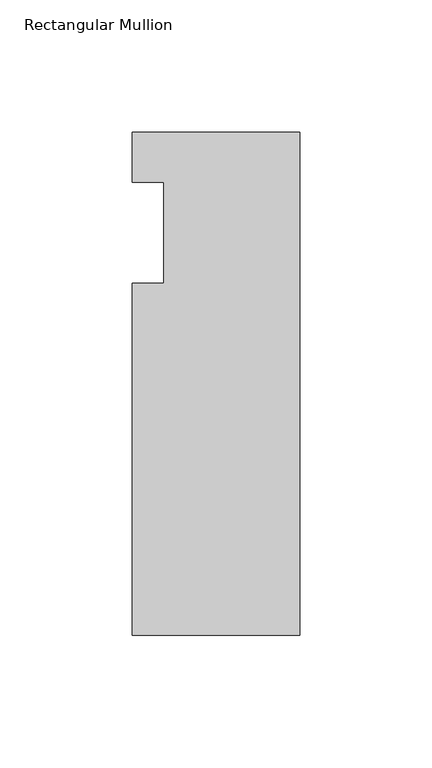
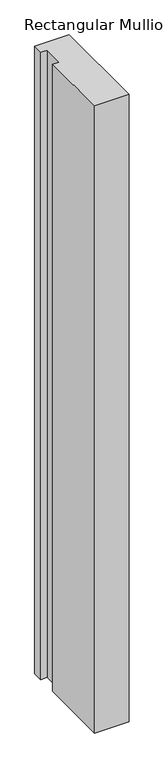
"""IFC4 building model written with IfcOpenShell, lengths in millimetres: member geometry, Rectangular Mullion."""

from ifc_helpers import new_model, si_unit, frame, origin, place, context, project, spatial, polyline, outline, extrude, source, transform, mapped, element, save


def rectangular_mullion_aa3be13b(model_context):
    return source(origin(), model_context, "Body", "SweptSolid", [
        extrude(outline(polyline([(-63.5, -152.4), (-63.5, -19.05), (-51.5874, -19.05), (-51.5874, 19.0504842), (-63.5, 19.0504842), (-63.5, 38.1), (0.0, 38.1), (0.0, -152.4), (-63.5, -152.4)])), frame((0.0, 0.0, -1219.2), z_axis=(0.0, 0.0, 1.0), x_axis=(1.0, 0.0, 0.0)), (0.0, 0.0, 1.0), 1219.2),
    ])


if __name__ == "__main__":
    model = new_model("IFC4")
    model_context = context("Model", 3, world=origin())
    ifc_project = project(units=[si_unit("LENGTHUNIT", "METRE", prefix="MILLI")], contexts=[model_context])
    site = spatial("IfcSite", under=ifc_project)
    building = spatial("IfcBuilding", under=site)
    placement = place(None, origin())
    rectangular_mullion_shape = rectangular_mullion_aa3be13b(model_context)
    element("IfcMember", 1, ObjectType="Rectangular Mullion", at=placement, inside=building, context=model_context, shape_type="MappedRepresentation", body=[
        mapped(rectangular_mullion_shape, transform((0.0, 0.0, 0.0), x_axis=(1.0, 0.0, 0.0), y_axis=(0.0, 1.0, 0.0), z_axis=(0.0, 0.0, 1.0))),
    ])
    save(model, "model.ifc")
